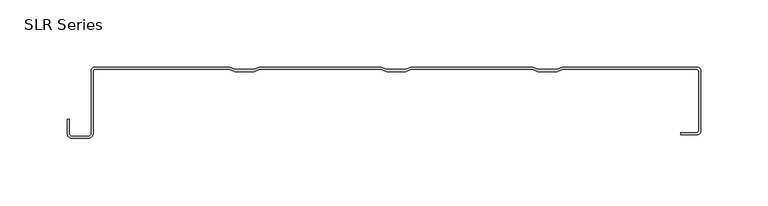
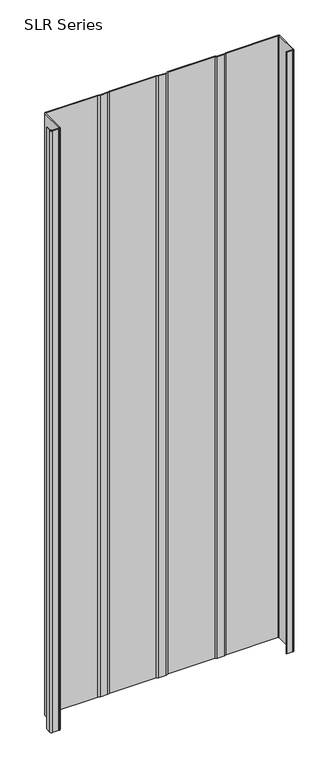
"""IFC4 building model written with IfcOpenShell, lengths in millimetres: plate geometry, SLR Series."""

from ifc_helpers import new_model, si_unit, point, frame_2d, origin, origin_with_axes, place, context, project, spatial, polyline, circle_curve, trimmed, segment, composite_curve, outline, extrude, source, transform, mapped, element, save


def slr_series_c5f6b4ac(model_context):
    return source(origin(), model_context, "Body", "SweptSolid", [
        extrude(outline(composite_curve([segment(trimmed(circle_curve(frame_2d((-226.4785174, -49.322367)), 3.5323605), [point((-222.9461569, -49.322367))], [point((-226.4785174, -52.8547275))], False, "CARTESIAN"), True, "CONTINUOUS"), segment(polyline([(-226.4785174, -52.8547275), (-238.8643673, -52.8547275)]), True, "CONTINUOUS"), segment(trimmed(circle_curve(frame_2d((-238.8643673, -49.322367)), 3.5323605), [point((-238.8643673, -52.8547275))], [point((-242.3967278, -49.322367))], False, "CARTESIAN"), True, "CONTINUOUS"), segment(polyline([(-242.3967278, -49.322367), (-242.3967278, -38.9158598), (-240.8437101, -38.9158598), (-240.8437101, -49.322367)]), True, "CONTINUOUS"), segment(trimmed(circle_curve(frame_2d((-238.8643673, -49.322367)), 1.9793427), [point((-240.8437101, -49.322367))], [point((-238.8643673, -51.3017098))], True, "CARTESIAN"), True, "CONTINUOUS"), segment(polyline([(-238.8643673, -51.3017098), (-226.4785174, -51.3017098)]), True, "CONTINUOUS"), segment(trimmed(circle_curve(frame_2d((-226.4785174, -49.322367)), 1.9793427), [point((-226.4785174, -51.3017098))], [point((-224.4991747, -49.322367))], True, "CARTESIAN"), True, "CONTINUOUS"), segment(polyline([(-224.4991747, -49.322367), (-224.4991747, -2.7245977)]), True, "CONTINUOUS"), segment(trimmed(circle_curve(frame_2d((-221.7739185, -2.7245977)), 2.7252562), [point((-224.4991747, -2.7245977))], [point((-221.8338237, 0.0))], False, "CARTESIAN"), True, "CONTINUOUS"), segment(polyline([(-221.8338237, 0.0), (-121.3093711, 0.0), (-117.187062, -1.6489237), (-103.4150645, -1.6489237), (-99.2927553, 0.0), (-8.4777414, 0.0), (-4.3554323, -1.6489237), (9.4165652, -1.6489237), (13.5388743, 0.0), (104.1435805, 0.0), (108.2658896, -1.6489237), (122.0378871, -1.6489237), (126.1601962, 0.0), (226.4777833, 0.0)]), True, "CONTINUOUS"), segment(trimmed(circle_curve(frame_2d((226.4777833, -2.8722166)), 2.8722166), [point((226.4777833, 0.0))], [point((229.3499998, -2.8722166))], False, "CARTESIAN"), True, "CONTINUOUS"), segment(polyline([(229.3499998, -2.8722166), (229.3499998, -47.5057747)]), True, "CONTINUOUS"), segment(trimmed(circle_curve(frame_2d((226.5762297, -47.5057747)), 2.7737702), [point((229.3499998, -47.5057747))], [point((226.5762297, -50.2795449))], False, "CARTESIAN"), True, "CONTINUOUS"), segment(polyline([(226.5762297, -50.2795449), (214.496908, -50.2795449), (214.496908, -48.6618105), (226.5762297, -48.6618105)]), True, "CONTINUOUS"), segment(trimmed(circle_curve(frame_2d((226.5762297, -47.5057747)), 1.1560358), [point((226.5762297, -48.6618105))], [point((227.7322655, -47.5057747))], True, "CARTESIAN"), True, "CONTINUOUS"), segment(polyline([(227.7322655, -47.5057747), (227.7322655, -2.8722166)]), True, "CONTINUOUS"), segment(trimmed(circle_curve(frame_2d((226.4475489, -2.8722166)), 1.2847166), [point((227.7322655, -2.8722166))], [point((226.4475489, -1.5875))], True, "CARTESIAN"), True, "CONTINUOUS"), segment(polyline([(226.4475489, -1.5875), (126.4659208, -1.5875), (122.3436117, -3.2364237), (107.9601651, -3.2364237), (103.8378559, -1.5875), (13.8445989, -1.5875), (9.7222897, -3.2364237), (-4.6611569, -3.2364237), (-8.783466, -1.5875), (-98.9870308, -1.5875), (-103.1093399, -3.2364237), (-117.4927865, -3.2364237), (-121.6150957, -1.5875), (-221.8338237, -1.5875)]), True, "CONTINUOUS"), segment(trimmed(circle_curve(frame_2d((-221.8338237, -2.6998332)), 1.1123332), [point((-221.8338237, -1.5875))], [point((-222.9461569, -2.6998332))], True, "CARTESIAN"), True, "CONTINUOUS"), segment(polyline([(-222.9461569, -2.6998332), (-222.9461569, -49.322367)]), True, "CONTINUOUS")], self_intersect=False)), origin_with_axes(), (0.0, 0.0, 1.0), 1228.3559792),
    ])


if __name__ == "__main__":
    model = new_model("IFC4")
    model_context = context("Model", 3, world=origin())
    ifc_project = project(units=[si_unit("LENGTHUNIT", "METRE", prefix="MILLI")], contexts=[model_context])
    site = spatial("IfcSite", under=ifc_project)
    building = spatial("IfcBuilding", under=site)
    placement = place(None, origin())
    slr_series_shape = slr_series_c5f6b4ac(model_context)
    element("IfcPlate", 1, ObjectType="SLR Series", at=placement, inside=building, context=model_context, shape_type="MappedRepresentation", body=[
        mapped(slr_series_shape, transform((0.0, 0.0, 0.0), x_axis=(1.0, 0.0, 0.0), y_axis=(0.0, 1.0, 0.0), z_axis=(0.0, 0.0, 1.0))),
    ])
    save(model, "model.ifc")
